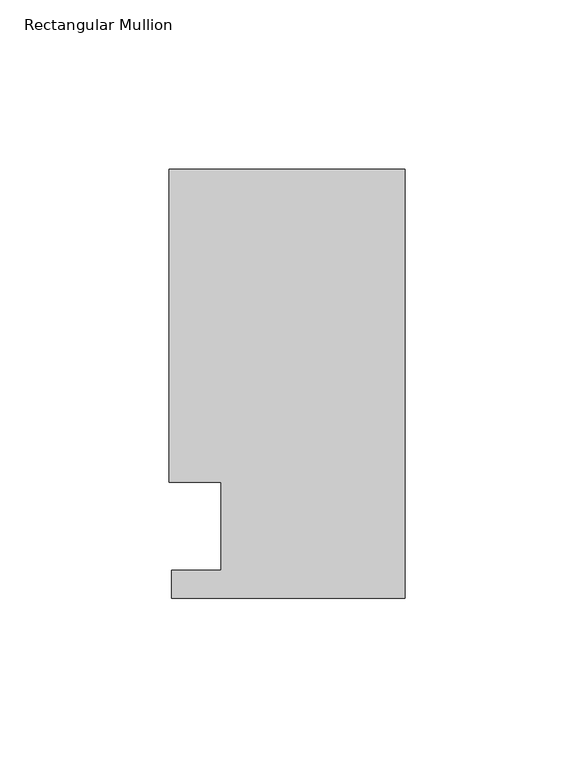
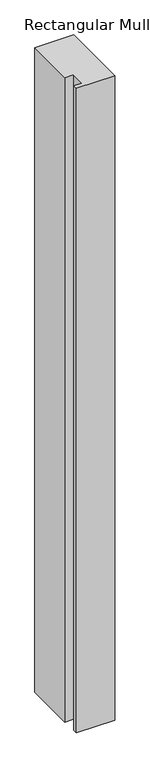
"""IFC4 building model written with IfcOpenShell, lengths in millimetres: member geometry, Rectangular Mullion."""

from ifc_helpers import new_model, si_unit, frame, origin, place, context, project, spatial, polyline, outline, extrude, source, transform, mapped, element, save


def rectangular_mullion_b7b6dd3a(model_context):
    return source(origin(), model_context, "Body", "SweptSolid", [
        extrude(outline(polyline([(0.0, 126.9888875), (0.0, -0.0111125), (-69.088, -0.0111125), (-69.088, 8.3454875), (-54.403625, 8.3454875), (-54.403625, 34.3296875), (-69.85, 34.3296875), (-69.85, 126.9888875), (0.0, 126.9888875)])), frame((0.0, 0.0, -1219.2), z_axis=(0.0, 0.0, 1.0), x_axis=(1.0, 0.0, 0.0)), (0.0, 0.0, 1.0), 1219.2),
    ])


if __name__ == "__main__":
    model = new_model("IFC4")
    model_context = context("Model", 3, world=origin())
    ifc_project = project(units=[si_unit("LENGTHUNIT", "METRE", prefix="MILLI")], contexts=[model_context])
    site = spatial("IfcSite", under=ifc_project)
    building = spatial("IfcBuilding", under=site)
    placement = place(None, origin())
    rectangular_mullion_shape = rectangular_mullion_b7b6dd3a(model_context)
    element("IfcMember", 1, ObjectType="Rectangular Mullion", at=placement, inside=building, context=model_context, shape_type="MappedRepresentation", body=[
        mapped(rectangular_mullion_shape, transform((0.0, 0.0, 0.0), x_axis=(1.0, 0.0, 0.0), y_axis=(0.0, 1.0, 0.0), z_axis=(0.0, 0.0, 1.0))),
    ])
    save(model, "model.ifc")
